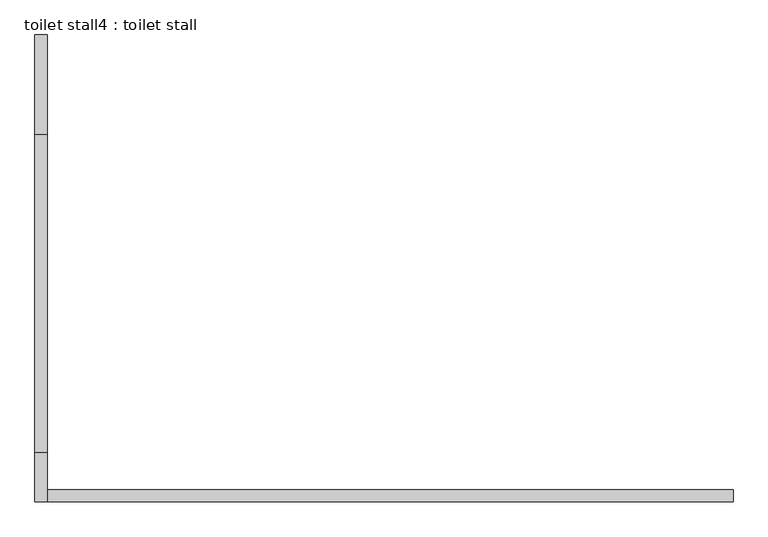
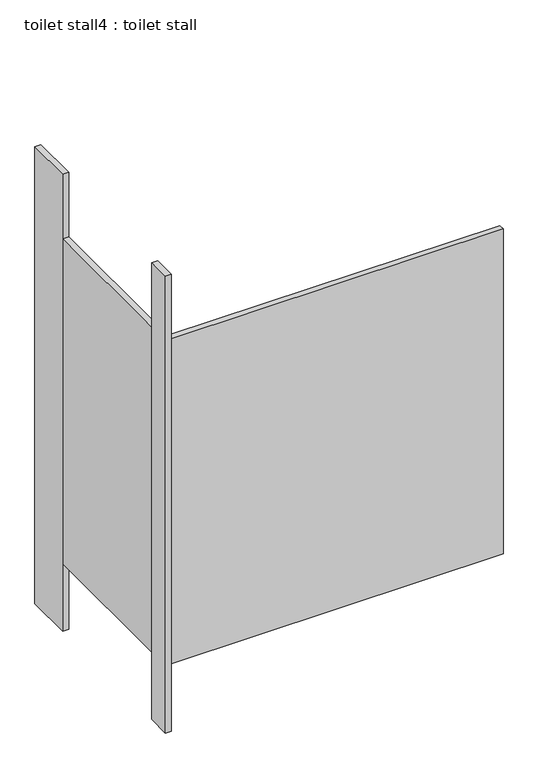
"""IFC4 building model written with IfcOpenShell, lengths in millimetres: proxy geometry, toilet stall4 : toilet stall."""

from ifc_helpers import new_model, si_unit, frame, origin, origin_with_axes, place, context, project, spatial, polyline, outline, extrude, source, transform, mapped, element, save


def toilet_stall4_toilet_stall_ba341e62(model_context):
    return source(origin(), model_context, "Body", "SweptSolid", [
        extrude(outline(polyline([(454658.2004676, -266492.8113632), (454632.8004676, -266492.8113632), (454632.8004676, -266286.4363632), (454658.2004676, -266286.4363632), (454658.2004676, -266492.8113632)])), origin_with_axes(), (0.0, 0.0, 1.0), 2070.1),
        extrude(outline(polyline([(454658.2004676, -267254.8113632), (454632.8004676, -267254.8113632), (454632.8004676, -267153.2113632), (454658.2004676, -267153.2113632), (454658.2004676, -267254.8113632)])), origin_with_axes(), (0.0, 0.0, 1.0), 2070.1),
        extrude(outline(polyline([(454658.2004676, -267254.8113632), (454658.2004676, -267229.4113632), (456080.6004676, -267229.4113632), (456080.6004676, -267254.8113632), (454658.2004676, -267254.8113632)])), frame((0.0, 0.0, 304.8), z_axis=(0.0, 0.0, 1.0), x_axis=(1.0, 0.0, 0.0)), (0.0, 0.0, 1.0), 1473.2),
        extrude(outline(polyline([(454658.2004676, -267153.2113632), (454632.8004676, -267153.2113632), (454632.8004676, -266492.8113632), (454658.2004676, -266492.8113632), (454658.2004676, -267153.2113632)])), frame((0.0, 0.0, 304.8), z_axis=(0.0, 0.0, 1.0), x_axis=(1.0, 0.0, 0.0)), (0.0, 0.0, 1.0), 1473.2),
    ])


if __name__ == "__main__":
    model = new_model("IFC4")
    model_context = context("Model", 3, world=origin())
    ifc_project = project(units=[si_unit("LENGTHUNIT", "METRE", prefix="MILLI")], contexts=[model_context])
    site = spatial("IfcSite", under=ifc_project)
    building = spatial("IfcBuilding", under=site)
    placement = place(None, origin())
    toilet_stall4_toilet_stall_shape = toilet_stall4_toilet_stall_ba341e62(model_context)
    element("IfcBuildingElementProxy", 1, Name="toilet stall4 : toilet stall", ObjectType="toilet stall4 : toilet stall", at=placement, inside=building, context=model_context, shape_type="MappedRepresentation", body=[
        mapped(toilet_stall4_toilet_stall_shape, transform((0.0, 0.0, 0.0), x_axis=(1.0, 0.0, 0.0), y_axis=(0.0, 1.0, 0.0), z_axis=(0.0, 0.0, 1.0))),
    ])
    save(model, "model.ifc")
